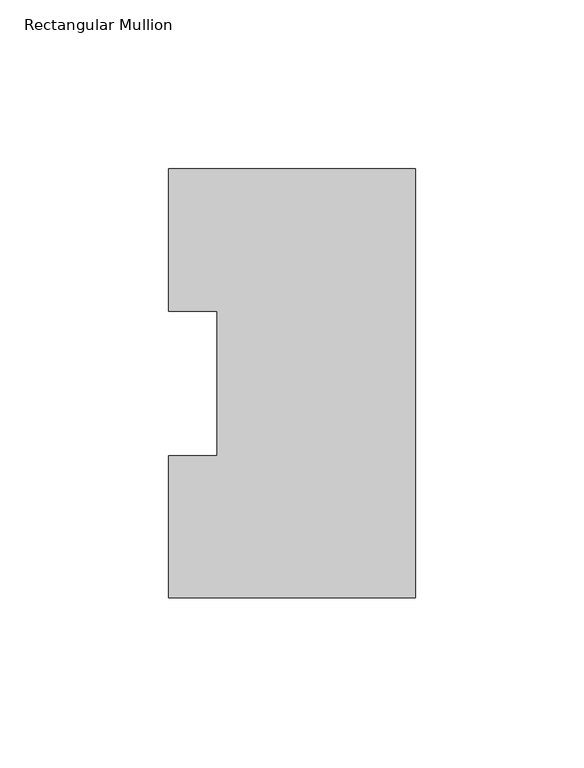
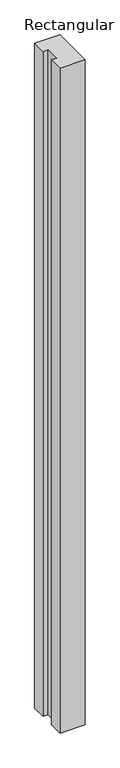
"""IFC4 building model written with IfcOpenShell, lengths in millimetres: member geometry, Rectangular Mullion."""

from ifc_helpers import new_model, si_unit, frame, origin, place, context, project, spatial, polyline, outline, extrude, source, transform, mapped, element, save


def rectangular_mullion_b71f1efa(model_context):
    return source(origin(), model_context, "Body", "SweptSolid", [
        extrude(outline(polyline([(-73.025, 127.00635), (0.0, 127.00635), (0.0, 0.00635), (-73.025, 0.00635), (-73.025, 42.08145), (-58.725404, 42.08145), (-58.725404, 84.93125), (-73.025, 84.93125), (-73.025, 127.00635)])), frame((0.0, 0.0, -2044.7227299), z_axis=(0.0, 0.0, 1.0), x_axis=(1.0, 0.0, 0.0)), (0.0, 0.0, 1.0), 2044.7227299),
    ])


if __name__ == "__main__":
    model = new_model("IFC4")
    model_context = context("Model", 3, world=origin())
    ifc_project = project(units=[si_unit("LENGTHUNIT", "METRE", prefix="MILLI")], contexts=[model_context])
    site = spatial("IfcSite", under=ifc_project)
    building = spatial("IfcBuilding", under=site)
    placement = place(None, origin())
    rectangular_mullion_shape = rectangular_mullion_b71f1efa(model_context)
    element("IfcMember", 1, ObjectType="Rectangular Mullion", at=placement, inside=building, context=model_context, shape_type="MappedRepresentation", body=[
        mapped(rectangular_mullion_shape, transform((0.0, 0.0, 0.0), x_axis=(1.0, 0.0, 0.0), y_axis=(0.0, 1.0, 0.0), z_axis=(0.0, 0.0, 1.0))),
    ])
    save(model, "model.ifc")
